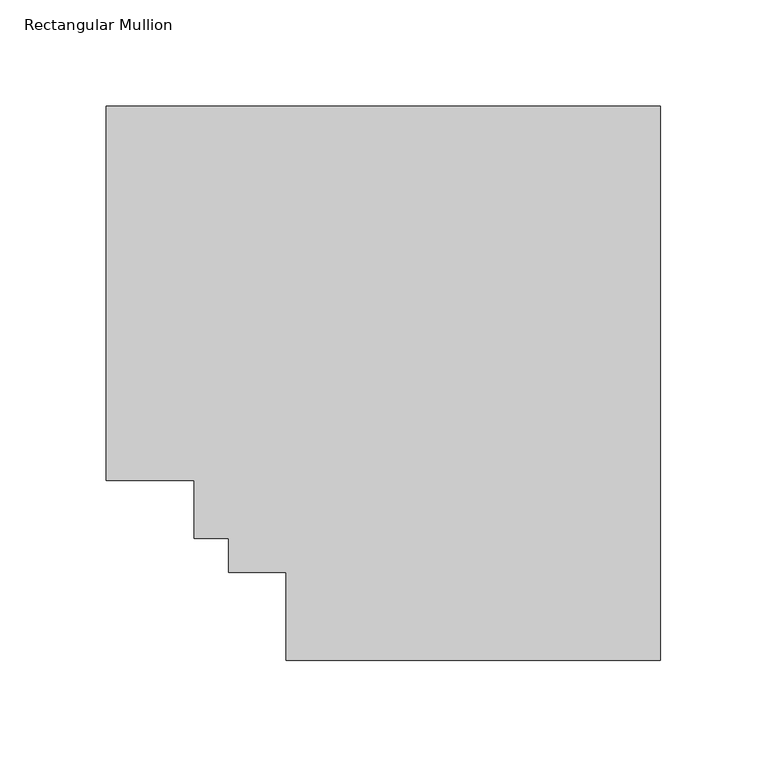
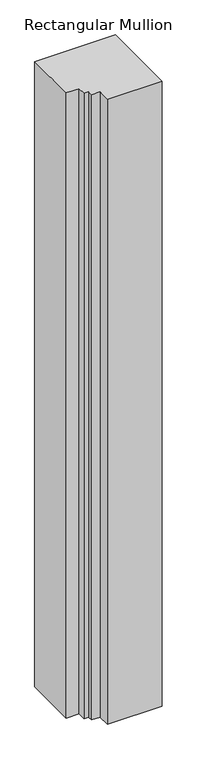
"""IFC4 building model written with IfcOpenShell, lengths in millimetres: member geometry, Rectangular Mullion."""

import ifcopenshell
import ifcopenshell.guid

model = None  # the IFC model being written
_history = None  # IfcOwnerHistory: only IFC2X3 demands one
_inside = {}  # id of a spatial element -> (the spatial element, [elements in it])
_under = {}  # id of a project, library or spatial element -> (it, [spatial elements below it])
_declared = {}  # id of a project -> (the project, [libraries it declares])
_typed = {}  # id of a type object -> (the type object, [elements of that type])
_made_of = {}  # id of a material, layer set ... -> (it, [elements and type objects made of it])


def new_model(schema):
    """Start an empty IFC model of exactly this schema.

    Asked for "IFC4X3", IfcOpenShell would pick the latest addendum, in which some entities
    have other attributes; the version numbers below select the first issue.
    IFC2X3 requires an IfcOwnerHistory on every rooted entity: one is made here for all.
    """
    global model, _history
    if schema == "IFC4X3":
        model = ifcopenshell.file(schema_version=(4, 3, 0, 0))
    else:
        model = ifcopenshell.file(schema=schema)
    _inside.clear()
    _under.clear()
    _declared.clear()
    _typed.clear()
    _made_of.clear()
    _history = None
    if model.schema == "IFC2X3":
        org = make("IfcOrganization", Name="unknown")
        user = make(
            "IfcPersonAndOrganization",
            ThePerson=make("IfcPerson", FamilyName="unknown"),
            TheOrganization=org,
        )
        app = make(
            "IfcApplication",
            ApplicationDeveloper=org,
            Version="unknown",
            ApplicationFullName="unknown",
            ApplicationIdentifier="unknown",
        )
        _history = make(
            "IfcOwnerHistory",
            OwningUser=user,
            OwningApplication=app,
            ChangeAction="ADDED",
            CreationDate=0,
        )
    return model


def make(cls, **values):
    """One entity of the class cls with the attributes given. An attribute that is None is left unset."""
    return model.create_entity(
        cls, **{name: value for name, value in values.items() if value is not None}
    )


def rooted(cls, **values):
    """An entity with a GlobalId (a new one), such as an element, a storey or a relation."""
    return make(cls, GlobalId=ifcopenshell.guid.new(), OwnerHistory=_history, **values)


def si_unit(unit_type, name, prefix=None):
    """IfcSIUnit, for example si_unit("LENGTHUNIT", "METRE", prefix="MILLI")."""
    return make("IfcSIUnit", UnitType=unit_type, Prefix=prefix, Name=name)


def assignment(units):
    """IfcUnitAssignment: the units of a project."""
    return None if units is None else make("IfcUnitAssignment", Units=units)


def point(xyz):
    """IfcCartesianPoint."""
    return None if xyz is None else make("IfcCartesianPoint", Coordinates=xyz)


def direction(xyz):
    """IfcDirection."""
    return None if xyz is None else make("IfcDirection", DirectionRatios=xyz)


def frame(location, z_axis=None, x_axis=None):
    """IfcAxis2Placement3D, a coordinate frame: its origin and axes. An axis left out is left unset."""
    return make(
        "IfcAxis2Placement3D",
        Location=point(location),
        Axis=direction(z_axis),
        RefDirection=direction(x_axis),
    )


def origin():
    """The frame at (0, 0, 0) with its axes left unset."""
    return frame((0.0, 0.0, 0.0))


def place(relative_to, where):
    """IfcLocalPlacement: puts the frame where relative to a parent placement (None: the world)."""
    return make(
        "IfcLocalPlacement", PlacementRelTo=relative_to, RelativePlacement=where
    )


def context(
    kind, dimensions, precision=None, world=None, true_north=None, identifier=None
):
    """IfcGeometricRepresentationContext, for example the 3D "Model" context."""
    return make(
        "IfcGeometricRepresentationContext",
        ContextIdentifier=identifier,
        ContextType=kind,
        CoordinateSpaceDimension=dimensions,
        Precision=precision,
        WorldCoordinateSystem=world,
        TrueNorth=true_north,
    )


def project(units=None, contexts=None):
    """IfcProject with its units and contexts."""
    return rooted(
        "IfcProject",
        Name="project",
        RepresentationContexts=contexts,
        UnitsInContext=assignment(units),
    )


def spatial(cls, under=None, at=None, **own):
    """A site, building, storey or space (cls), placed at a placement, below another one or the project."""
    s = rooted(cls, ObjectPlacement=at, **own)
    if under is not None:
        _under.setdefault(under.id(), (under, []))[1].append(s)
    return s


def polyline(points):
    """IfcPolyline through the points."""
    return make("IfcPolyline", Points=[point(p) for p in points])


def outline(outer, holes=None, kind="AREA"):
    """IfcArbitraryClosedProfileDef: a profile drawn as a closed curve; with holes, ...WithVoids."""
    if holes is None:
        return make("IfcArbitraryClosedProfileDef", ProfileType=kind, OuterCurve=outer)
    return make(
        "IfcArbitraryProfileDefWithVoids",
        ProfileType=kind,
        OuterCurve=outer,
        InnerCurves=holes,
    )


def extrude(swept, where, along, depth):
    """IfcExtrudedAreaSolid: the profile swept, set in the frame where, extruded along a direction by depth."""
    return make(
        "IfcExtrudedAreaSolid",
        SweptArea=swept,
        Position=where,
        ExtrudedDirection=direction(along),
        Depth=depth,
    )


def shape(context_of_items, identifier, shape_type, items):
    """IfcShapeRepresentation: the items that make up one representation, for example the "Body"."""
    return make(
        "IfcShapeRepresentation",
        ContextOfItems=context_of_items,
        RepresentationIdentifier=identifier,
        RepresentationType=shape_type,
        Items=items,
    )


def source(mapping_origin, context_of_items, identifier, shape_type, items):
    """IfcRepresentationMap: a shape defined once, which mapped items show again and again."""
    return make(
        "IfcRepresentationMap",
        MappingOrigin=mapping_origin,
        MappedRepresentation=shape(context_of_items, identifier, shape_type, items),
    )


def transform(
    local_origin,
    x_axis=None,
    y_axis=None,
    z_axis=None,
    scale=None,
    scale2=None,
    scale3=None,
    uniform=True,
):
    """IfcCartesianTransformationOperator3D, or its non-uniform kind. x_axis, y_axis, z_axis: its Axis1, 2, 3."""
    if uniform:
        return make(
            "IfcCartesianTransformationOperator3D",
            Axis1=direction(x_axis),
            Axis2=direction(y_axis),
            LocalOrigin=point(local_origin),
            Scale=scale,
            Axis3=direction(z_axis),
        )
    return make(
        "IfcCartesianTransformationOperator3DnonUniform",
        Axis1=direction(x_axis),
        Axis2=direction(y_axis),
        LocalOrigin=point(local_origin),
        Scale=scale,
        Axis3=direction(z_axis),
        Scale2=scale2,
        Scale3=scale3,
    )


def mapped(mapping_source, mapping_target):
    """IfcMappedItem: shows the shape of a source again, moved by a transform."""
    return make(
        "IfcMappedItem", MappingSource=mapping_source, MappingTarget=mapping_target
    )


def made_of(thing, what):
    """Note that an element or type object is made of a material, layer set ...; save() writes the relation."""
    if what is not None:
        _made_of.setdefault(what.id(), (what, []))[1].append(thing)
    return thing


def element(
    cls,
    number,
    at=None,
    inside=None,
    cuts=None,
    type_object=None,
    material=None,
    context=None,
    identifier="Body",
    shape_type=None,
    held_by="IfcProductDefinitionShape",
    body=None,
    shapes=None,
    **own,
):
    """One element of the class cls, such as IfcWall. Its Tag is "e" and its number.

    at: its placement. inside: the storey or other place that contains it. cuts: it is an
    opening in that element (IfcRelVoidsElement). A single representation is given by context,
    identifier, shape_type and body (its items); several are given by shapes. held_by: the class
    of the entity that holds the representations. save() writes the other relations.
    """
    e = rooted(cls, Tag="e%d" % number, ObjectPlacement=at, **own)
    if body is not None:
        shapes = [shape(context, identifier, shape_type, body)]
    if shapes is not None:
        e.Representation = make(held_by, Representations=shapes)
    if inside is not None:
        _inside.setdefault(inside.id(), (inside, []))[1].append(e)
    if cuts is not None:
        rooted(
            "IfcRelVoidsElement", RelatingBuildingElement=cuts, RelatedOpeningElement=e
        )
    if type_object is not None:
        _typed.setdefault(type_object.id(), (type_object, []))[1].append(e)
    return made_of(e, material)


def aggregate(whole, parts):
    """IfcRelAggregates: a whole, such as a stair, and the parts it consists of."""
    return rooted("IfcRelAggregates", RelatingObject=whole, RelatedObjects=parts)


def save(model, path):
    """Write the relations noted so far, then the file.

    IfcRelAggregates (storeys below a building ...), IfcRelContainedInSpatialStructure (elements
    in a storey), IfcRelDefinesByType, IfcRelAssociatesMaterial and IfcRelDeclares: one each for
    every whole, place, type object, material and project.
    """
    for whole, parts in _under.values():
        aggregate(whole, parts)
    for where, things in _inside.values():
        rooted(
            "IfcRelContainedInSpatialStructure",
            RelatedElements=things,
            RelatingStructure=where,
        )
    for kind, things in _typed.values():
        rooted("IfcRelDefinesByType", RelatedObjects=things, RelatingType=kind)
    for what, things in _made_of.values():
        rooted("IfcRelAssociatesMaterial", RelatedObjects=things, RelatingMaterial=what)
    for by, libraries in _declared.values():
        rooted("IfcRelDeclares", RelatingContext=by, RelatedDefinitions=libraries)
    model.write(path)


def rectangular_mullion_eca3f2c3(model_context):
    return source(origin(), model_context, "Body", "SweptSolid", [
        extrude(outline(polyline([(0.0, 222.5381312), (0.0, -37.7805771), (-175.7934011, -37.7805771), (-175.7934011, 3.4944228), (-202.9714011, 3.4944228), (-202.9714011, 19.5667302), (-219.0437084, 19.5667302), (-219.0437084, 46.7447302), (-260.3187084, 46.7447302), (-260.3187084, 222.5381312), (0.0, 222.5381312)])), frame((0.0, 0.0, -2133.6), z_axis=(0.0, 0.0, 1.0), x_axis=(1.0, 0.0, 0.0)), (0.0, 0.0, 1.0), 2133.6),
    ])


if __name__ == "__main__":
    model = new_model("IFC4")
    model_context = context("Model", 3, world=origin())
    ifc_project = project(units=[si_unit("LENGTHUNIT", "METRE", prefix="MILLI")], contexts=[model_context])
    site = spatial("IfcSite", under=ifc_project)
    building = spatial("IfcBuilding", under=site)
    placement = place(None, origin())
    rectangular_mullion_shape = rectangular_mullion_eca3f2c3(model_context)
    element("IfcMember", 1, ObjectType="Rectangular Mullion", at=placement, inside=building, context=model_context, shape_type="MappedRepresentation", body=[
        mapped(rectangular_mullion_shape, transform((0.0, 0.0, 0.0), x_axis=(1.0, 0.0, 0.0), y_axis=(0.0, 1.0, 0.0), z_axis=(0.0, 0.0, 1.0))),
    ])
    save(model, "model.ifc")
